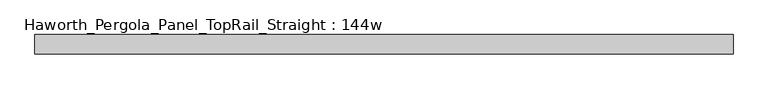
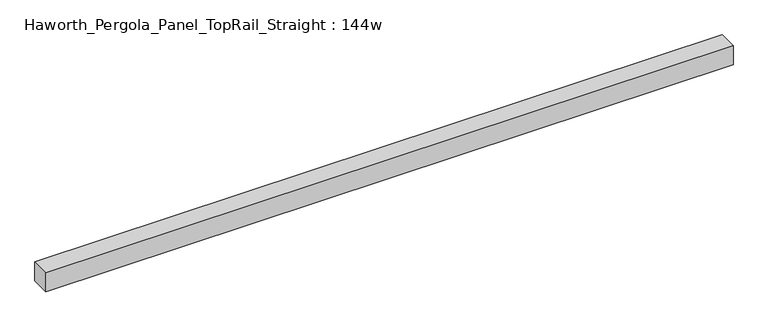
"""IFC4 building model written with IfcOpenShell, lengths in millimetres: furniture geometry, Haworth_Pergola_Panel_TopRail_Straight : 144w."""

from ifc_helpers import new_model, si_unit, frame, origin, place, context, project, spatial, polyline, outline, extrude, source, transform, mapped, element, save


def haworth_pergola_panel_toprail_straight_144w_aeb962f4(model_context):
    return source(origin(), model_context, "Body", "SweptSolid", [
        extrude(outline(polyline([(3340.1, 50.8), (3340.1, -50.8), (-317.5, -50.8), (-317.5, 50.8), (3340.1, 50.8)])), frame((0.0, 0.0, 2331.8390625), z_axis=(0.0, 0.0, 1.0), x_axis=(1.0, 0.0, 0.0)), (0.0, 0.0, 1.0), 106.5609375),
    ])


if __name__ == "__main__":
    model = new_model("IFC4")
    model_context = context("Model", 3, world=origin())
    ifc_project = project(units=[si_unit("LENGTHUNIT", "METRE", prefix="MILLI")], contexts=[model_context])
    site = spatial("IfcSite", under=ifc_project)
    building = spatial("IfcBuilding", under=site)
    placement = place(None, origin())
    haworth_pergola_panel_toprail_straight_144w_shape = haworth_pergola_panel_toprail_straight_144w_aeb962f4(model_context)
    element("IfcFurniture", 1, ObjectType="Haworth_Pergola_Panel_TopRail_Straight : 144w", at=placement, inside=building, context=model_context, shape_type="MappedRepresentation", body=[
        mapped(haworth_pergola_panel_toprail_straight_144w_shape, transform((0.0, 0.0, 0.0), x_axis=(1.0, 0.0, 0.0), y_axis=(0.0, 1.0, 0.0), z_axis=(0.0, 0.0, 1.0))),
    ])
    save(model, "model.ifc")
